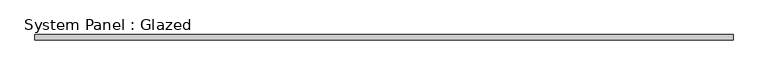
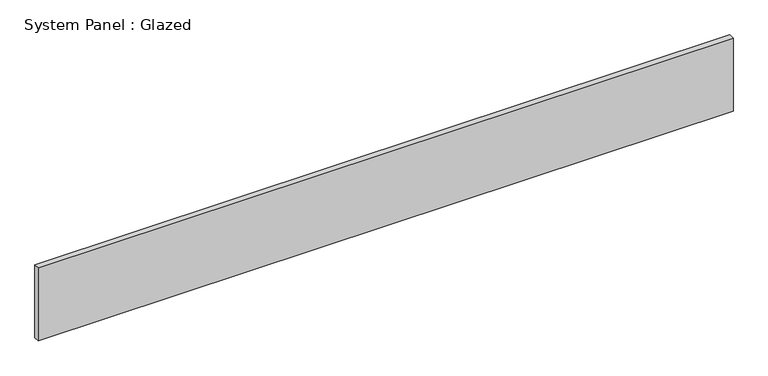
"""IFC4 building model written with IfcOpenShell, lengths in millimetres: plate geometry, System Panel : Glazed."""

from ifc_helpers import new_model, si_unit, origin, origin_with_axes, place, context, project, spatial, polyline, outline, extrude, source, transform, mapped, element, save


def system_panel_glazed_b231617b(model_context):
    return source(origin(), model_context, "Body", "SweptSolid", [
        extrude(outline(polyline([(1629.412977, 19.05), (-1629.412977, 19.05), (-1629.412977, 44.45), (1629.412977, 44.45), (1629.412977, 19.05)])), origin_with_axes(), (0.0, 0.0, 1.0), 361.95),
    ])


if __name__ == "__main__":
    model = new_model("IFC4")
    model_context = context("Model", 3, world=origin())
    ifc_project = project(units=[si_unit("LENGTHUNIT", "METRE", prefix="MILLI")], contexts=[model_context])
    site = spatial("IfcSite", under=ifc_project)
    building = spatial("IfcBuilding", under=site)
    placement = place(None, origin())
    system_panel_glazed_shape = system_panel_glazed_b231617b(model_context)
    element("IfcPlate", 1, ObjectType="System Panel : Glazed", at=placement, inside=building, context=model_context, shape_type="MappedRepresentation", body=[
        mapped(system_panel_glazed_shape, transform((0.0, 0.0, 0.0), x_axis=(1.0, 0.0, 0.0), y_axis=(0.0, 1.0, 0.0), z_axis=(0.0, 0.0, 1.0))),
    ])
    save(model, "model.ifc")
